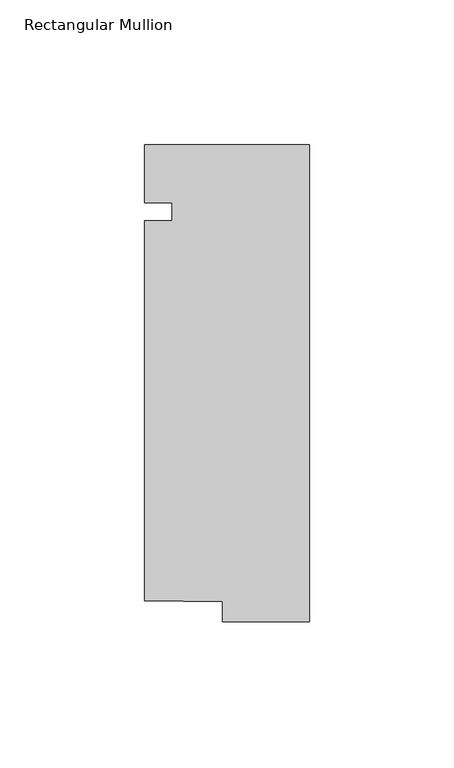
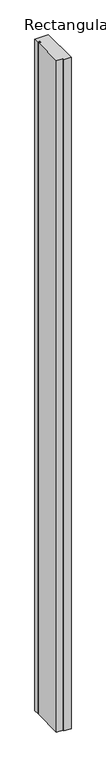
"""IFC4 building model written with IfcOpenShell, lengths in millimetres: member geometry, Rectangular Mullion."""

from ifc_helpers import new_model, si_unit, frame, origin, place, context, project, spatial, polyline, outline, extrude, source, transform, mapped, element, save


def rectangular_mullion_c3edb0b7(model_context):
    return source(origin(), model_context, "Body", "SweptSolid", [
        extrude(outline(polyline([(-57.15, 20.0421875), (0.0, 20.0421875), (0.0, -145.0578125), (-30.1646192, -145.0578125), (-30.1646192, -138.1494996), (-57.15, -137.7424054), (-57.15, -6.35), (-47.625, -6.35), (-47.625, 0.0), (-57.15, 0.0), (-57.15, 20.0421875)])), frame((0.0, 0.0, -2997.2), z_axis=(0.0, 0.0, 1.0), x_axis=(1.0, 0.0, 0.0)), (0.0, 0.0, 1.0), 2997.2),
    ])


if __name__ == "__main__":
    model = new_model("IFC4")
    model_context = context("Model", 3, world=origin())
    ifc_project = project(units=[si_unit("LENGTHUNIT", "METRE", prefix="MILLI")], contexts=[model_context])
    site = spatial("IfcSite", under=ifc_project)
    building = spatial("IfcBuilding", under=site)
    placement = place(None, origin())
    rectangular_mullion_shape = rectangular_mullion_c3edb0b7(model_context)
    element("IfcMember", 1, ObjectType="Rectangular Mullion", at=placement, inside=building, context=model_context, shape_type="MappedRepresentation", body=[
        mapped(rectangular_mullion_shape, transform((0.0, 0.0, 0.0), x_axis=(1.0, 0.0, 0.0), y_axis=(0.0, 1.0, 0.0), z_axis=(0.0, 0.0, 1.0))),
    ])
    save(model, "model.ifc")
